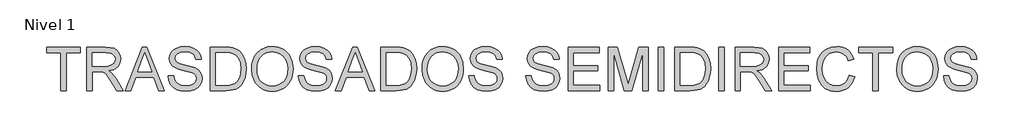
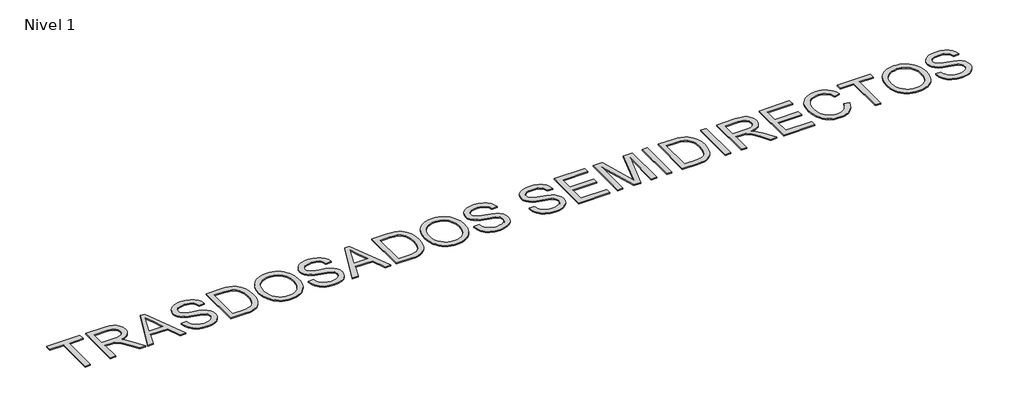
# One storey, part 11 of 13: 1 proxy.
"""IFC4 building model written with IfcOpenShell, lengths in millimetres."""

from ifc_helpers import new_model, si_unit, origin, origin_with_axes, place, context, project, spatial, polyline, outline, extrude, element, save

model = new_model("IFC4")

# Units and contexts
model_context = context("Model", 3, world=origin())
ifc_project = project(units=[si_unit("LENGTHUNIT", "METRE", prefix="MILLI")], contexts=[model_context])

# Site, building, storey
site = spatial("IfcSite", under=ifc_project)
building = spatial("IfcBuilding", under=site)
storey = spatial("IfcBuildingStorey", under=building, Name="Nivel 1", Elevation=0.0)

# Proxy
placement = place(None, origin())
element("IfcBuildingElementProxy", 1, Name="Texto de modelo 1", ObjectType="Texto de modelo 1", at=placement, inside=storey, context=model_context, shape_type="SweptSolid", body=[
    extrude(outline(polyline([(-13458.9119083, 2569.420547), (-13458.9119083, 2921.0176325), (-13590.7608154, 2921.0176325), (-13590.7608154, 2971.2457876), (-13276.8348462, 2971.2457876), (-13276.8348462, 2921.0176325), (-13408.6837532, 2921.0176325), (-13408.6837532, 2569.420547), (-13458.9119083, 2569.420547)])), origin_with_axes(), (0.0, 0.0, 1.0), 10.0),
    extrude(outline(polyline([(-13220.3281717, 2569.420547), (-13220.3281717, 2971.2457876), (-13047.1783793, 2971.2457876), (-13000.6413069, 2968.5357236), (-12966.7839006, 2960.4055315), (-12942.0377051, 2945.3959461), (-12922.8342649, 2922.0477021), (-12910.5102181, 2893.0953891), (-12906.4022025, 2861.2735965), (-12908.1036567, 2840.6354166), (-12913.2080194, 2821.6894938), (-12921.7152905, 2804.4358283), (-12933.6254701, 2788.8744199), (-12949.0918423, 2775.5019093), (-12968.2676913, 2764.8149374), (-12991.1530171, 2756.813504), (-13017.7478197, 2751.4976092), (-12989.2001769, 2730.0133006), (-12948.4879027, 2678.3136176), (-12881.4843287, 2569.420547), (-12939.8549386, 2569.420547), (-12992.1432328, 2652.7090307), (-13029.912451, 2707.8422791), (-13043.9532805, 2723.9187222), (-13056.4490056, 2733.8883243), (-13080.3368098, 2743.4532562), (-13109.4730638, 2745.2190898), (-13170.1000166, 2745.2190898), (-13170.1000166, 2569.420547), (-13220.3281717, 2569.420547)]), holes=[polyline([(-13170.1000166, 2795.4472448), (-13057.6752789, 2795.4472448), (-13025.3875025, 2797.2253412), (-13000.3347386, 2802.5596301), (-12981.474655, 2811.8057309), (-12967.7649193, 2825.3192629), (-12959.413998, 2841.6654862), (-12956.6303576, 2859.4096611), (-12961.940121, 2883.910602), (-12977.8694114, 2903.6536024), (-12990.030977, 2911.2503656), (-13005.27662, 2916.676625), (-13045.0201383, 2921.0176325), (-13170.1000166, 2921.0176325), (-13170.1000166, 2795.4472448)])]), origin_with_axes(), (0.0, 0.0, 1.0), 10.0),
    extrude(outline(polyline([(-12865.2975209, 2569.420547), (-12704.900971, 2971.2457876), (-12662.1285577, 2971.2457876), (-12501.7320078, 2569.420547), (-12554.805117, 2569.420547), (-12600.8148918, 2694.9909347), (-12766.3127387, 2694.9909347), (-12812.2244117, 2569.420547), (-12865.2975209, 2569.420547)]), holes=[polyline([(-12747.869588, 2745.2190898), (-12619.1599406, 2745.2190898), (-12655.359529, 2844.0076682), (-12683.5147643, 2921.0176325), (-12708.53074, 2852.6406324), (-12747.869588, 2745.2190898)])]), origin_with_axes(), (0.0, 0.0, 1.0), 10.0),
    extrude(outline(polyline([(-12466.9058456, 2707.5479735), (-12416.6776905, 2707.5479735), (-12410.9142059, 2679.674781), (-12400.4908827, 2657.2707675), (-12384.2304985, 2639.4898044), (-12360.955831, 2625.4857631), (-12332.50629, 2616.3990778), (-12300.7212856, 2613.3701827), (-12272.7377285, 2615.6633138), (-12248.2367876, 2622.5427071), (-12228.3834226, 2633.4320142), (-12214.3425932, 2647.7548865), (-12205.9916719, 2664.1992117), (-12203.2080314, 2681.4528773), (-12205.2926961, 2698.2650845), (-12211.54669, 2712.7964233), (-12224.2508816, 2725.1940465), (-12245.6861391, 2735.605107), (-12318.8210798, 2754.7840216), (-12366.8296802, 2767.4759505), (-12397.5478268, 2779.5547427), (-12422.5515397, 2796.452789), (-12440.2711891, 2816.9315534), (-12450.8294024, 2840.5495775), (-12454.3488068, 2866.8654028), (-12449.9955365, 2896.2836997), (-12436.9357257, 2923.7154338), (-12415.5127308, 2946.9655759), (-12386.0699085, 2963.8390968), (-12350.7287115, 2974.1030044), (-12311.6105927, 2977.524307), (-12269.2305868, 2973.9435889), (-12232.1480817, 2963.2014346), (-12201.6874525, 2945.5185734), (-12179.1730744, 2921.1157344), (-12164.9237785, 2891.5134965), (-12159.2583957, 2858.2324387), (-12209.4865508, 2858.2324387), (-12218.7081262, 2888.2025586), (-12227.0713102, 2900.0606215), (-12237.9360918, 2909.8340199), (-12267.979788, 2922.9306189), (-12309.6485554, 2927.2961519), (-12352.2983413, 2922.9796698), (-12368.6016451, 2917.5840672), (-12381.5572227, 2910.0302236), (-12398.4797945, 2890.9739363), (-12404.1206517, 2868.3369308), (-12400.1230007, 2849.0353888), (-12388.1300477, 2833.5107686), (-12359.7786086, 2819.6293547), (-12306.1168882, 2805.4536351), (-12250.7383852, 2791.9891541), (-12217.2365982, 2780.2414557), (-12188.6031162, 2762.0190342), (-12168.6271239, 2739.5291816), (-12156.8916882, 2713.0171525), (-12152.9798764, 2682.7282015), (-12157.4802994, 2651.7648003), (-12170.9815687, 2622.640809), (-12192.931861, 2597.5757824), (-12222.7793536, 2578.7892752), (-12258.6723736, 2567.0538395), (-12298.7592483, 2563.1420276), (-12347.9695965, 2567.3604078), (-12388.4734042, 2580.0155485), (-12420.7366552, 2601.1565005), (-12445.2253333, 2630.8323147), (-12460.9461573, 2666.9828521), (-12466.9058456, 2707.5479735)])), origin_with_axes(), (0.0, 0.0, 1.0), 10.0),
    extrude(outline(polyline([(-12077.6376437, 2569.420547), (-12077.6376437, 2971.2457876), (-11939.019708, 2971.2457876), (-11897.5961953, 2969.7987851), (-11867.3072444, 2965.4577775), (-11835.2769853, 2954.2986904), (-11808.2499214, 2936.713931), (-11780.462568, 2906.106149), (-11760.6705167, 2868.0426252), (-11748.8247165, 2823.2591237), (-11744.8761164, 2772.4914083), (-11747.5493922, 2729.3633758), (-11755.5692197, 2691.4102166), (-11767.7829019, 2659.0979147), (-11783.037742, 2632.8924539), (-11800.5979759, 2612.205223), (-11819.7278397, 2596.4476109), (-11841.6903948, 2584.7612262), (-11867.7487028, 2576.2876776), (-11897.9518146, 2571.1373297), (-11932.3487811, 2569.420547), (-12077.6376437, 2569.420547)]), holes=[polyline([(-12027.4094887, 2619.6487021), (-11938.5291986, 2619.6487021), (-11901.7655246, 2621.4635866), (-11873.8800693, 2626.9082401), (-11852.8372192, 2635.6638316), (-11836.6013605, 2647.41153), (-11819.1514912, 2669.1533559), (-11806.0426294, 2697.2963285), (-11797.8388609, 2731.9630752), (-11795.1042714, 2773.2762233), (-11800.4630858, 2828.0170642), (-11807.1616038, 2850.0164075), (-11816.539529, 2868.4350327), (-11840.2924432, 2896.1978606), (-11868.6806705, 2912.9732796), (-11897.5716698, 2919.0065443), (-11939.9026248, 2921.0176325), (-12027.4094887, 2921.0176325), (-12027.4094887, 2619.6487021)])]), origin_with_axes(), (0.0, 0.0, 1.0), 10.0),
    extrude(outline(polyline([(-11694.6479613, 2765.0356666), (-11691.3002351, 2812.1674815), (-11681.2570567, 2853.8914311), (-11664.5184259, 2890.2075154), (-11641.0843428, 2921.1157344), (-11612.3588903, 2945.7944849), (-11579.7461515, 2963.4221638), (-11543.2461262, 2973.9987712), (-11502.8588145, 2977.524307), (-11475.8256192, 2975.868838), (-11450.1535873, 2970.9024311), (-11425.8427188, 2962.6250862), (-11402.8930137, 2951.0368033), (-11381.9482654, 2936.4870704), (-11363.6522675, 2919.3253754), (-11348.00502, 2899.5517181), (-11335.0065228, 2877.1660987), (-11324.7916661, 2852.6774206), (-11317.4953398, 2826.5945871), (-11311.6582789, 2769.6464542), (-11313.1941862, 2739.9890341), (-11317.8019082, 2711.9380319), (-11325.4814448, 2685.4934479), (-11336.2327961, 2660.6552818), (-11349.8015104, 2638.07959), (-11365.9331359, 2618.4224288), (-11384.6276726, 2601.683798), (-11405.8851206, 2587.8636977), (-11428.8685482, 2577.047967), (-11452.741024, 2569.3224451), (-11477.502548, 2564.687132), (-11503.1531201, 2563.1420276), (-11530.6584306, 2564.8496132), (-11556.6676876, 2569.97237), (-11581.1808913, 2578.510298), (-11604.1980414, 2590.4633971), (-11625.1182642, 2605.3687493), (-11643.3406857, 2622.7634363), (-11658.8653059, 2642.6474581), (-11671.6921248, 2665.0208148), (-11688.9090022, 2713.6425519), (-11694.6479613, 2765.0356666)]), holes=[polyline([(-11644.4198062, 2764.5451572), (-11641.9090116, 2731.2457053), (-11634.3766278, 2701.686387), (-11621.8226547, 2675.8672023), (-11604.2470924, 2653.7881512), (-11582.8823455, 2636.10529), (-11558.9608187, 2623.4746748), (-11532.4825121, 2615.8963057), (-11503.4474257, 2613.3701827), (-11473.9156985, 2615.9208312), (-11447.1246922, 2623.5727767), (-11423.0744068, 2636.3260192), (-11401.7648422, 2654.1805587), (-11384.3180386, 2676.7255936), (-11371.856036, 2703.5503224), (-11364.3788344, 2734.6547451), (-11361.8864339, 2770.0388617), (-11366.1538651, 2814.5035322), (-11378.9561585, 2852.934938), (-11399.9622204, 2884.3643231), (-11428.8409571, 2907.8229316), (-11463.679382, 2922.4278468), (-11502.5645089, 2927.2961519), (-11530.5909856, 2924.9509042), (-11556.5941112, 2917.915161), (-11580.573886, 2906.1889224), (-11602.5303097, 2889.7721884), (-11620.8569644, 2867.8740126), (-11633.9474321, 2839.7034489), (-11641.8017127, 2805.2604971), (-11644.4198062, 2764.5451572)])]), origin_with_axes(), (0.0, 0.0, 1.0), 10.0),
    extrude(outline(polyline([(-11261.4301238, 2707.5479735), (-11211.2019687, 2707.5479735), (-11205.4384841, 2679.674781), (-11195.0151609, 2657.2707675), (-11178.7547767, 2639.4898044), (-11155.4801092, 2625.4857631), (-11127.0305682, 2616.3990778), (-11095.2455638, 2613.3701827), (-11067.2620067, 2615.6633138), (-11042.7610658, 2622.5427071), (-11022.9077008, 2633.4320142), (-11008.8668714, 2647.7548865), (-11000.5159501, 2664.1992117), (-10997.7323096, 2681.4528773), (-10999.8169743, 2698.2650845), (-11006.0709682, 2712.7964233), (-11018.7751598, 2725.1940465), (-11040.2104173, 2735.605107), (-11113.345358, 2754.7840216), (-11161.3539584, 2767.4759505), (-11192.072105, 2779.5547427), (-11217.0758179, 2796.452789), (-11234.7954673, 2816.9315534), (-11245.3536806, 2840.5495775), (-11248.873085, 2866.8654028), (-11244.5198147, 2896.2836997), (-11231.4600039, 2923.7154338), (-11210.0370091, 2946.9655759), (-11180.5941867, 2963.8390968), (-11145.2529897, 2974.1030044), (-11106.1348709, 2977.524307), (-11063.754865, 2973.9435889), (-11026.6723599, 2963.2014346), (-10996.2117307, 2945.5185734), (-10973.6973526, 2921.1157344), (-10959.4480567, 2891.5134965), (-10953.7826739, 2858.2324387), (-11004.010829, 2858.2324387), (-11013.2324044, 2888.2025586), (-11021.5955884, 2900.0606215), (-11032.46037, 2909.8340199), (-11062.5040663, 2922.9306189), (-11104.1728336, 2927.2961519), (-11146.8226195, 2922.9796698), (-11163.1259233, 2917.5840672), (-11176.0815009, 2910.0302236), (-11193.0040727, 2890.9739363), (-11198.6449299, 2868.3369308), (-11194.6472789, 2849.0353888), (-11182.6543259, 2833.5107686), (-11154.3028868, 2819.6293547), (-11100.6411664, 2805.4536351), (-11045.2626634, 2791.9891541), (-11011.7608764, 2780.2414557), (-10983.1273944, 2762.0190342), (-10963.1514021, 2739.5291816), (-10951.4159664, 2713.0171525), (-10947.5041546, 2682.7282015), (-10952.0045776, 2651.7648003), (-10965.5058469, 2622.640809), (-10987.4561392, 2597.5757824), (-11017.3036318, 2578.7892752), (-11053.1966518, 2567.0538395), (-11093.2835265, 2563.1420276), (-11142.4938747, 2567.3604078), (-11182.9976824, 2580.0155485), (-11215.2609334, 2601.1565005), (-11239.7496115, 2630.8323147), (-11255.4704355, 2666.9828521), (-11261.4301238, 2707.5479735)])), origin_with_axes(), (0.0, 0.0, 1.0), 10.0),
    extrude(outline(polyline([(-10918.9565117, 2569.420547), (-10758.5599618, 2971.2457876), (-10715.7875485, 2971.2457876), (-10555.3909986, 2569.420547), (-10608.4641078, 2569.420547), (-10654.4738827, 2694.9909347), (-10819.9717296, 2694.9909347), (-10865.8834026, 2569.420547), (-10918.9565117, 2569.420547)]), holes=[polyline([(-10801.5285789, 2745.2190898), (-10672.8189315, 2745.2190898), (-10709.0185198, 2844.0076682), (-10737.1737552, 2921.0176325), (-10762.1897309, 2852.6406324), (-10801.5285789, 2745.2190898)])]), origin_with_axes(), (0.0, 0.0, 1.0), 10.0),
    extrude(outline(polyline([(-10501.7292783, 2569.420547), (-10501.7292783, 2971.2457876), (-10363.1113425, 2971.2457876), (-10321.6878298, 2969.7987851), (-10291.3988789, 2965.4577775), (-10259.3686199, 2954.2986904), (-10232.3415559, 2936.713931), (-10204.5542026, 2906.106149), (-10184.7621512, 2868.0426252), (-10172.916351, 2823.2591237), (-10168.9677509, 2772.4914083), (-10171.6410267, 2729.3633758), (-10179.6608542, 2691.4102166), (-10191.8745365, 2659.0979147), (-10207.1293765, 2632.8924539), (-10224.6896104, 2612.205223), (-10243.8194742, 2596.4476109), (-10265.7820293, 2584.7612262), (-10291.8403373, 2576.2876776), (-10322.0434491, 2571.1373297), (-10356.4404156, 2569.420547), (-10501.7292783, 2569.420547)]), holes=[polyline([(-10451.5011232, 2619.6487021), (-10362.6208332, 2619.6487021), (-10325.8571591, 2621.4635866), (-10297.9717039, 2626.9082401), (-10276.9288538, 2635.6638316), (-10260.692995, 2647.41153), (-10243.2431257, 2669.1533559), (-10230.134264, 2697.2963285), (-10221.9304955, 2731.9630752), (-10219.195906, 2773.2762233), (-10224.5547204, 2828.0170642), (-10231.2532384, 2850.0164075), (-10240.6311636, 2868.4350327), (-10264.3840777, 2896.1978606), (-10292.772305, 2912.9732796), (-10321.6633044, 2919.0065443), (-10363.9942593, 2921.0176325), (-10451.5011232, 2921.0176325), (-10451.5011232, 2619.6487021)])]), origin_with_axes(), (0.0, 0.0, 1.0), 10.0),
    extrude(outline(polyline([(-10118.7395958, 2765.0356666), (-10115.3918697, 2812.1674815), (-10105.3486912, 2853.8914311), (-10088.6100604, 2890.2075154), (-10065.1759773, 2921.1157344), (-10036.4505249, 2945.7944849), (-10003.837786, 2963.4221638), (-9967.3377607, 2973.9987712), (-9926.950449, 2977.524307), (-9899.9172537, 2975.868838), (-9874.2452218, 2970.9024311), (-9849.9343533, 2962.6250862), (-9826.9846482, 2951.0368033), (-9806.0398999, 2936.4870704), (-9787.743902, 2919.3253754), (-9772.0966545, 2899.5517181), (-9759.0981573, 2877.1660987), (-9748.8833006, 2852.6774206), (-9741.5869744, 2826.5945871), (-9735.7499134, 2769.6464542), (-9737.2858207, 2739.9890341), (-9741.8935427, 2711.9380319), (-9749.5730794, 2685.4934479), (-9760.3244307, 2660.6552818), (-9773.8931449, 2638.07959), (-9790.0247704, 2618.4224288), (-9808.7193071, 2601.683798), (-9829.9767551, 2587.8636977), (-9852.9601827, 2577.047967), (-9876.8326585, 2569.3224451), (-9901.5941825, 2564.687132), (-9927.2447546, 2563.1420276), (-9954.7500651, 2564.8496132), (-9980.7593222, 2569.97237), (-10005.2725258, 2578.510298), (-10028.2896759, 2590.4633971), (-10049.2098987, 2605.3687493), (-10067.4323202, 2622.7634363), (-10082.9569404, 2642.6474581), (-10095.7837593, 2665.0208148), (-10113.0006367, 2713.6425519), (-10118.7395958, 2765.0356666)]), holes=[polyline([(-10068.5114408, 2764.5451572), (-10066.0006461, 2731.2457053), (-10058.4682623, 2701.686387), (-10045.9142892, 2675.8672023), (-10028.3387269, 2653.7881512), (-10006.97398, 2636.10529), (-9983.0524533, 2623.4746748), (-9956.5741467, 2615.8963057), (-9927.5390602, 2613.3701827), (-9898.007333, 2615.9208312), (-9871.2163267, 2623.5727767), (-9847.1660413, 2636.3260192), (-9825.8564767, 2654.1805587), (-9808.4096731, 2676.7255936), (-9795.9476705, 2703.5503224), (-9788.470469, 2734.6547451), (-9785.9780685, 2770.0388617), (-9790.2454996, 2814.5035322), (-9803.047793, 2852.934938), (-9824.053855, 2884.3643231), (-9852.9325916, 2907.8229316), (-9887.7710165, 2922.4278468), (-9926.6561434, 2927.2961519), (-9954.6826201, 2924.9509042), (-9980.6857458, 2917.915161), (-10004.6655205, 2906.1889224), (-10026.6219442, 2889.7721884), (-10044.948599, 2867.8740126), (-10058.0390666, 2839.7034489), (-10065.8933472, 2805.2604971), (-10068.5114408, 2764.5451572)])]), origin_with_axes(), (0.0, 0.0, 1.0), 10.0),
    extrude(outline(polyline([(-9685.5217583, 2707.5479735), (-9635.2936032, 2707.5479735), (-9629.5301186, 2679.674781), (-9619.1067954, 2657.2707675), (-9602.8464113, 2639.4898044), (-9579.5717437, 2625.4857631), (-9551.1222027, 2616.3990778), (-9519.3371984, 2613.3701827), (-9491.3536413, 2615.6633138), (-9466.8527004, 2622.5427071), (-9446.9993354, 2633.4320142), (-9432.9585059, 2647.7548865), (-9424.6075846, 2664.1992117), (-9421.8239442, 2681.4528773), (-9423.9086088, 2698.2650845), (-9430.1626027, 2712.7964233), (-9442.8667943, 2725.1940465), (-9464.3020519, 2735.605107), (-9537.4369925, 2754.7840216), (-9585.4455929, 2767.4759505), (-9616.1637395, 2779.5547427), (-9641.1674524, 2796.452789), (-9658.8871019, 2816.9315534), (-9669.4453151, 2840.5495775), (-9672.9647195, 2866.8654028), (-9668.6114493, 2896.2836997), (-9655.5516384, 2923.7154338), (-9634.1286436, 2946.9655759), (-9604.6858212, 2963.8390968), (-9569.3446242, 2974.1030044), (-9530.2265054, 2977.524307), (-9487.8464996, 2973.9435889), (-9450.7639945, 2963.2014346), (-9420.3033653, 2945.5185734), (-9397.7889871, 2921.1157344), (-9383.5396912, 2891.5134965), (-9377.8743085, 2858.2324387), (-9428.1024635, 2858.2324387), (-9437.3240389, 2888.2025586), (-9445.6872229, 2900.0606215), (-9456.5520045, 2909.8340199), (-9486.5957008, 2922.9306189), (-9528.2644681, 2927.2961519), (-9570.9142541, 2922.9796698), (-9587.2175578, 2917.5840672), (-9600.1731354, 2910.0302236), (-9617.0957072, 2890.9739363), (-9622.7365645, 2868.3369308), (-9618.7389134, 2849.0353888), (-9606.7459604, 2833.5107686), (-9578.3945213, 2819.6293547), (-9524.7328009, 2805.4536351), (-9469.3542979, 2791.9891541), (-9435.8525109, 2780.2414557), (-9407.219029, 2762.0190342), (-9387.2430366, 2739.5291816), (-9375.507601, 2713.0171525), (-9371.5957891, 2682.7282015), (-9376.0962122, 2651.7648003), (-9389.5974814, 2622.640809), (-9411.5477738, 2597.5757824), (-9441.3952663, 2578.7892752), (-9477.2882863, 2567.0538395), (-9517.375161, 2563.1420276), (-9566.5855093, 2567.3604078), (-9607.0893169, 2580.0155485), (-9639.3525679, 2601.1565005), (-9663.8412461, 2630.8323147), (-9679.56207, 2666.9828521), (-9685.5217583, 2707.5479735)])), origin_with_axes(), (0.0, 0.0, 1.0), 10.0),
    extrude(outline(polyline([(-9158.12613, 2707.5479735), (-9107.8979749, 2707.5479735), (-9102.1344904, 2679.674781), (-9091.7111672, 2657.2707675), (-9075.450783, 2639.4898044), (-9052.1761154, 2625.4857631), (-9023.7265745, 2616.3990778), (-8991.9415701, 2613.3701827), (-8963.958013, 2615.6633138), (-8939.4570721, 2622.5427071), (-8919.6037071, 2633.4320142), (-8905.5628776, 2647.7548865), (-8897.2119563, 2664.1992117), (-8894.4283159, 2681.4528773), (-8896.5129805, 2698.2650845), (-8902.7669744, 2712.7964233), (-8915.471166, 2725.1940465), (-8936.9064236, 2735.605107), (-9010.0413642, 2754.7840216), (-9058.0499646, 2767.4759505), (-9088.7681112, 2779.5547427), (-9113.7718241, 2796.452789), (-9131.4914736, 2816.9315534), (-9142.0496868, 2840.5495775), (-9145.5690913, 2866.8654028), (-9141.215821, 2896.2836997), (-9128.1560101, 2923.7154338), (-9106.7330153, 2946.9655759), (-9077.2901929, 2963.8390968), (-9041.9489959, 2974.1030044), (-9002.8308771, 2977.524307), (-8960.4508713, 2973.9435889), (-8923.3683662, 2963.2014346), (-8892.907737, 2945.5185734), (-8870.3933589, 2921.1157344), (-8856.1440629, 2891.5134965), (-8850.4786802, 2858.2324387), (-8900.7068353, 2858.2324387), (-8909.9284106, 2888.2025586), (-8918.2915946, 2900.0606215), (-8929.1563762, 2909.8340199), (-8959.2000725, 2922.9306189), (-9000.8688398, 2927.2961519), (-9043.5186258, 2922.9796698), (-9059.8219295, 2917.5840672), (-9072.7775071, 2910.0302236), (-9089.7000789, 2890.9739363), (-9095.3409362, 2868.3369308), (-9091.3432852, 2849.0353888), (-9079.3503321, 2833.5107686), (-9050.998893, 2819.6293547), (-8997.3371727, 2805.4536351), (-8941.9586697, 2791.9891541), (-8908.4568826, 2780.2414557), (-8879.8234007, 2762.0190342), (-8859.8474083, 2739.5291816), (-8848.1119727, 2713.0171525), (-8844.2001608, 2682.7282015), (-8848.7005839, 2651.7648003), (-8862.2018531, 2622.640809), (-8884.1521455, 2597.5757824), (-8913.999638, 2578.7892752), (-8949.892658, 2567.0538395), (-8989.9795328, 2563.1420276), (-9039.189881, 2567.3604078), (-9079.6936887, 2580.0155485), (-9111.9569396, 2601.1565005), (-9136.4456178, 2630.8323147), (-9152.1664417, 2666.9828521), (-9158.12613, 2707.5479735)])), origin_with_axes(), (0.0, 0.0, 1.0), 10.0),
    extrude(outline(polyline([(-8768.8579282, 2569.420547), (-8768.8579282, 2971.2457876), (-8480.0460365, 2971.2457876), (-8480.0460365, 2921.0176325), (-8718.6297731, 2921.0176325), (-8718.6297731, 2801.7257642), (-8492.6030753, 2801.7257642), (-8492.6030753, 2751.4976092), (-8718.6297731, 2751.4976092), (-8718.6297731, 2619.6487021), (-8473.7675171, 2619.6487021), (-8473.7675171, 2569.420547), (-8768.8579282, 2569.420547)])), origin_with_axes(), (0.0, 0.0, 1.0), 10.0),
    extrude(outline(polyline([(-8398.4252845, 2569.420547), (-8398.4252845, 2971.2457876), (-8311.9975411, 2971.2457876), (-8229.7881779, 2688.0257023), (-8213.2089627, 2628.8702774), (-8195.2563213, 2692.9307955), (-8114.4203842, 2971.2457876), (-8027.9926408, 2971.2457876), (-8027.9926408, 2569.420547), (-8078.2207959, 2569.420547), (-8078.2207959, 2921.0176325), (-8179.1676154, 2569.420547), (-8247.25031, 2569.420547), (-8348.1971294, 2921.0176325), (-8348.1971294, 2569.420547), (-8398.4252845, 2569.420547)])), origin_with_axes(), (0.0, 0.0, 1.0), 10.0),
    extrude(outline(polyline([(-7933.8148501, 2569.420547), (-7933.8148501, 2971.2457876), (-7883.586695, 2971.2457876), (-7883.586695, 2569.420547), (-7933.8148501, 2569.420547)])), origin_with_axes(), (0.0, 0.0, 1.0), 10.0),
    extrude(outline(polyline([(-7783.1303848, 2569.420547), (-7783.1303848, 2971.2457876), (-7644.5124491, 2971.2457876), (-7603.0889364, 2969.7987851), (-7572.7999855, 2965.4577775), (-7540.7697264, 2954.2986904), (-7513.7426625, 2936.713931), (-7485.9553091, 2906.106149), (-7466.1632578, 2868.0426252), (-7454.3174576, 2823.2591237), (-7450.3688575, 2772.4914083), (-7453.0421333, 2729.3633758), (-7461.0619608, 2691.4102166), (-7473.275643, 2659.0979147), (-7488.5304831, 2632.8924539), (-7506.090717, 2612.205223), (-7525.2205808, 2596.4476109), (-7547.1831359, 2584.7612262), (-7573.2414439, 2576.2876776), (-7603.4445557, 2571.1373297), (-7637.8415222, 2569.420547), (-7783.1303848, 2569.420547)]), holes=[polyline([(-7732.9022298, 2619.6487021), (-7644.0219397, 2619.6487021), (-7607.2582657, 2621.4635866), (-7579.3728105, 2626.9082401), (-7558.3299603, 2635.6638316), (-7542.0941016, 2647.41153), (-7524.6442323, 2669.1533559), (-7511.5353705, 2697.2963285), (-7503.3316021, 2731.9630752), (-7500.5970126, 2773.2762233), (-7505.9558269, 2828.0170642), (-7512.6543449, 2850.0164075), (-7522.0322701, 2868.4350327), (-7545.7851843, 2896.1978606), (-7574.1734116, 2912.9732796), (-7603.0644109, 2919.0065443), (-7645.3953659, 2921.0176325), (-7732.9022298, 2921.0176325), (-7732.9022298, 2619.6487021)])]), origin_with_axes(), (0.0, 0.0, 1.0), 10.0),
    extrude(outline(polyline([(-7375.0266249, 2569.420547), (-7375.0266249, 2971.2457876), (-7324.7984698, 2971.2457876), (-7324.7984698, 2569.420547), (-7375.0266249, 2569.420547)])), origin_with_axes(), (0.0, 0.0, 1.0), 10.0),
    extrude(outline(polyline([(-7224.3421596, 2569.420547), (-7224.3421596, 2971.2457876), (-7051.1923672, 2971.2457876), (-7004.6552949, 2968.5357236), (-6970.7978886, 2960.4055315), (-6946.051693, 2945.3959461), (-6926.8482529, 2922.0477021), (-6914.524206, 2893.0953891), (-6910.4161904, 2861.2735965), (-6912.1176447, 2840.6354166), (-6917.2220073, 2821.6894938), (-6925.7292785, 2804.4358283), (-6937.6394581, 2788.8744199), (-6953.1058303, 2775.5019093), (-6972.2816793, 2764.8149374), (-6995.1670051, 2756.813504), (-7021.7618076, 2751.4976092), (-6993.2141648, 2730.0133006), (-6952.5018907, 2678.3136176), (-6885.4983166, 2569.420547), (-6943.8689265, 2569.420547), (-6996.1572208, 2652.7090307), (-7033.9264389, 2707.8422791), (-7047.9672684, 2723.9187222), (-7060.4629935, 2733.8883243), (-7084.3507977, 2743.4532562), (-7113.4870518, 2745.2190898), (-7174.1140046, 2745.2190898), (-7174.1140046, 2569.420547), (-7224.3421596, 2569.420547)]), holes=[polyline([(-7174.1140046, 2795.4472448), (-7061.6892668, 2795.4472448), (-7029.4014904, 2797.2253412), (-7004.3487265, 2802.5596301), (-6985.4886429, 2811.8057309), (-6971.7789072, 2825.3192629), (-6963.4279859, 2841.6654862), (-6960.6443455, 2859.4096611), (-6965.954109, 2883.910602), (-6981.8833994, 2903.6536024), (-6994.044965, 2911.2503656), (-7009.290608, 2916.676625), (-7049.0341262, 2921.0176325), (-7174.1140046, 2921.0176325), (-7174.1140046, 2795.4472448)])]), origin_with_axes(), (0.0, 0.0, 1.0), 10.0),
    extrude(outline(polyline([(-6822.516919, 2569.420547), (-6822.516919, 2971.2457876), (-6533.7050274, 2971.2457876), (-6533.7050274, 2921.0176325), (-6772.288764, 2921.0176325), (-6772.288764, 2801.7257642), (-6546.2620661, 2801.7257642), (-6546.2620661, 2751.4976092), (-6772.288764, 2751.4976092), (-6772.288764, 2619.6487021), (-6527.426508, 2619.6487021), (-6527.426508, 2569.420547), (-6822.516919, 2569.420547)])), origin_with_axes(), (0.0, 0.0, 1.0), 10.0),
    extrude(outline(polyline([(-6169.5509031, 2712.256863), (-6119.322748, 2699.3074168), (-6129.2616932, 2668.0711697), (-6142.4993137, 2640.7773913), (-6159.0356094, 2617.4260817), (-6178.8705803, 2598.0172408), (-6201.5566367, 2582.759335), (-6226.6461887, 2571.8608309), (-6254.1392365, 2565.3217284), (-6284.03578, 2563.1420276), (-6314.6650218, 2564.7913652), (-6342.2960253, 2569.7393781), (-6366.9287905, 2577.9860661), (-6388.5633175, 2589.5314294), (-6407.4969776, 2604.2037897), (-6424.0271419, 2621.8314686), (-6438.1538105, 2642.4144662), (-6449.8769834, 2665.9527825), (-6465.659121, 2717.8241439), (-6470.9198335, 2773.3743251), (-6464.9724079, 2831.9656642), (-6457.5381259, 2858.2630955), (-6447.1301312, 2882.5617013), (-6433.9814155, 2904.4598771), (-6418.3249709, 2923.5560183), (-6400.1607974, 2939.850125), (-6379.488895, 2953.3421972), (-6357.0113051, 2963.9218702), (-6333.4300692, 2971.4787795), (-6282.9566595, 2977.524307), (-6254.2281413, 2975.568401), (-6227.8847248, 2969.7006832), (-6203.9264098, 2959.9211535), (-6182.3531965, 2946.2298119), (-6163.520704, 2928.9884091), (-6147.7845517, 2908.5586956), (-6135.1447395, 2884.9406715), (-6125.6012674, 2858.1343368), (-6175.8294225, 2846.1659092), (-6193.2425036, 2882.7946932), (-6217.0322059, 2907.9210335), (-6247.4928351, 2922.4523723), (-6284.9186968, 2927.2961519), (-6328.0589921, 2921.9250748), (-6346.741266, 2915.2112284), (-6363.4982909, 2905.8118434), (-6390.3904648, 2880.6487149), (-6407.889385, 2848.1279466), (-6417.4911051, 2811.3642725), (-6420.6916784, 2773.472427), (-6416.9024939, 2727.0702447), (-6405.5349402, 2686.9465817), (-6386.1598218, 2654.6342798), (-6358.347943, 2631.6661806), (-6325.0055715, 2617.9441822), (-6289.0389751, 2613.3701827), (-6267.202113, 2614.9275498), (-6247.1126904, 2619.5996512), (-6228.7707072, 2627.3864867), (-6212.1761636, 2638.2880565), (-6197.7214669, 2652.2553096), (-6185.7990245, 2669.239195), (-6176.4088366, 2689.2397128), (-6169.5509031, 2712.256863)])), origin_with_axes(), (0.0, 0.0, 1.0), 10.0),
    extrude(outline(polyline([(-5949.8027246, 2569.420547), (-5949.8027246, 2921.0176325), (-6081.6516317, 2921.0176325), (-6081.6516317, 2971.2457876), (-5767.7256625, 2971.2457876), (-5767.7256625, 2921.0176325), (-5899.5745695, 2921.0176325), (-5899.5745695, 2569.420547), (-5949.8027246, 2569.420547)])), origin_with_axes(), (0.0, 0.0, 1.0), 10.0),
    extrude(outline(polyline([(-5730.0545462, 2765.0356666), (-5726.70682, 2812.1674815), (-5716.6636415, 2853.8914311), (-5699.9250108, 2890.2075154), (-5676.4909277, 2921.1157344), (-5647.7654752, 2945.7944849), (-5615.1527363, 2963.4221638), (-5578.6527111, 2973.9987712), (-5538.2653993, 2977.524307), (-5511.2322041, 2975.868838), (-5485.5601722, 2970.9024311), (-5461.2493037, 2962.6250862), (-5438.2995985, 2951.0368033), (-5417.3548503, 2936.4870704), (-5399.0588524, 2919.3253754), (-5383.4116048, 2899.5517181), (-5370.4131077, 2877.1660987), (-5360.1982509, 2852.6774206), (-5352.9019247, 2826.5945871), (-5347.0648637, 2769.6464542), (-5348.6007711, 2739.9890341), (-5353.208493, 2711.9380319), (-5360.8880297, 2685.4934479), (-5371.639381, 2660.6552818), (-5385.2080953, 2638.07959), (-5401.3397207, 2618.4224288), (-5420.0342575, 2601.683798), (-5441.2917054, 2587.8636977), (-5464.2751331, 2577.047967), (-5488.1476089, 2569.3224451), (-5512.9091328, 2564.687132), (-5538.5597049, 2563.1420276), (-5566.0650155, 2564.8496132), (-5592.0742725, 2569.97237), (-5616.5874761, 2578.510298), (-5639.6046263, 2590.4633971), (-5660.5248491, 2605.3687493), (-5678.7472706, 2622.7634363), (-5694.2718908, 2642.6474581), (-5707.0987097, 2665.0208148), (-5724.315587, 2713.6425519), (-5730.0545462, 2765.0356666)]), holes=[polyline([(-5679.8263911, 2764.5451572), (-5677.3155965, 2731.2457053), (-5669.7832126, 2701.686387), (-5657.2292395, 2675.8672023), (-5639.6536772, 2653.7881512), (-5618.2889303, 2636.10529), (-5594.3674036, 2623.4746748), (-5567.889097, 2615.8963057), (-5538.8540105, 2613.3701827), (-5509.3222834, 2615.9208312), (-5482.5312771, 2623.5727767), (-5458.4809916, 2636.3260192), (-5437.1714271, 2654.1805587), (-5419.7246235, 2676.7255936), (-5407.2626209, 2703.5503224), (-5399.7854193, 2734.6547451), (-5397.2930188, 2770.0388617), (-5401.5604499, 2814.5035322), (-5414.3627434, 2852.934938), (-5435.3688053, 2884.3643231), (-5464.2475419, 2907.8229316), (-5499.0859669, 2922.4278468), (-5537.9710938, 2927.2961519), (-5565.9975704, 2924.9509042), (-5592.0006961, 2917.915161), (-5615.9804708, 2906.1889224), (-5637.9368946, 2889.7721884), (-5656.2635493, 2867.8740126), (-5669.354017, 2839.7034489), (-5677.2082976, 2805.2604971), (-5679.8263911, 2764.5451572)])]), origin_with_axes(), (0.0, 0.0, 1.0), 10.0),
    extrude(outline(polyline([(-5296.8367086, 2707.5479735), (-5246.6085536, 2707.5479735), (-5240.845069, 2679.674781), (-5230.4217458, 2657.2707675), (-5214.1613616, 2639.4898044), (-5190.886694, 2625.4857631), (-5162.4371531, 2616.3990778), (-5130.6521487, 2613.3701827), (-5102.6685916, 2615.6633138), (-5078.1676507, 2622.5427071), (-5058.3142857, 2633.4320142), (-5044.2734562, 2647.7548865), (-5035.9225349, 2664.1992117), (-5033.1388945, 2681.4528773), (-5035.2235591, 2698.2650845), (-5041.4775531, 2712.7964233), (-5054.1817446, 2725.1940465), (-5075.6170022, 2735.605107), (-5148.7519429, 2754.7840216), (-5196.7605432, 2767.4759505), (-5227.4786898, 2779.5547427), (-5252.4824028, 2796.452789), (-5270.2020522, 2816.9315534), (-5280.7602655, 2840.5495775), (-5284.2796699, 2866.8654028), (-5279.9263996, 2896.2836997), (-5266.8665888, 2923.7154338), (-5245.4435939, 2946.9655759), (-5216.0007716, 2963.8390968), (-5180.6595746, 2974.1030044), (-5141.5414557, 2977.524307), (-5099.1614499, 2973.9435889), (-5062.0789448, 2963.2014346), (-5031.6183156, 2945.5185734), (-5009.1039375, 2921.1157344), (-4994.8546415, 2891.5134965), (-4989.1892588, 2858.2324387), (-5039.4174139, 2858.2324387), (-5048.6389892, 2888.2025586), (-5057.0021733, 2900.0606215), (-5067.8669548, 2909.8340199), (-5097.9106511, 2922.9306189), (-5139.5794184, 2927.2961519), (-5182.2292044, 2922.9796698), (-5198.5325082, 2917.5840672), (-5211.4880858, 2910.0302236), (-5228.4106575, 2890.9739363), (-5234.0515148, 2868.3369308), (-5230.0538638, 2849.0353888), (-5218.0609107, 2833.5107686), (-5189.7094717, 2819.6293547), (-5136.0477513, 2805.4536351), (-5080.6692483, 2791.9891541), (-5047.1674613, 2780.2414557), (-5018.5339793, 2762.0190342), (-4998.557987, 2739.5291816), (-4986.8225513, 2713.0171525), (-4982.9107394, 2682.7282015), (-4987.4111625, 2651.7648003), (-5000.9124317, 2622.640809), (-5022.8627241, 2597.5757824), (-5052.7102166, 2578.7892752), (-5088.6032366, 2567.0538395), (-5128.6901114, 2563.1420276), (-5177.9004596, 2567.3604078), (-5218.4042673, 2580.0155485), (-5250.6675183, 2601.1565005), (-5275.1561964, 2630.8323147), (-5290.8770203, 2666.9828521), (-5296.8367086, 2707.5479735)])), origin_with_axes(), (0.0, 0.0, 1.0), 10.0),
])

save(model, "model.ifc")
